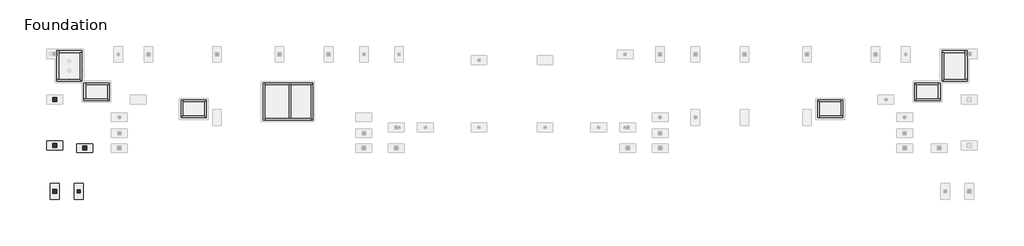
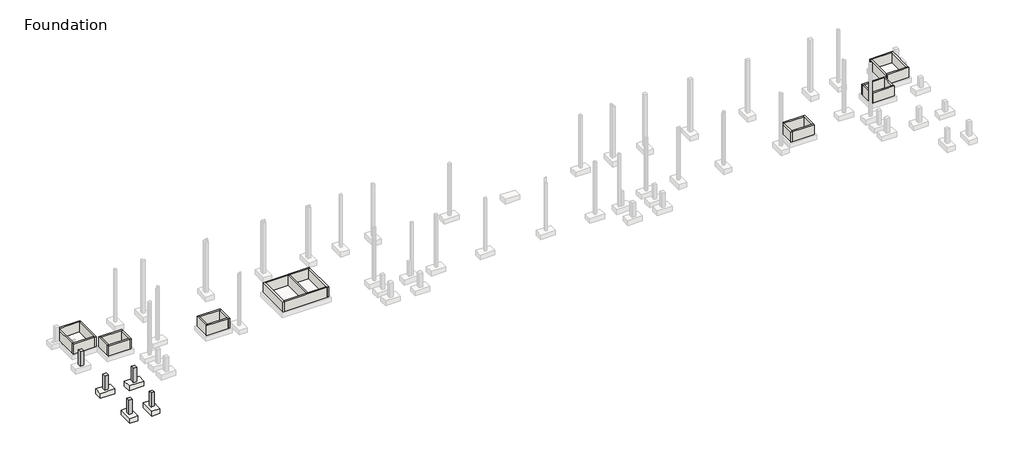
# One storey, part 1 of 10: 29 walls, 5 columns, 4 slabs.
"""IFC4 building model written with IfcOpenShell, lengths in millimetres."""

from ifc_helpers import new_model, si_unit, frame, origin, place, context, project, spatial, polyline, circle_curve, outline, extrude, faceted_brep, element, save
from ifc_brep_helpers import plane_surface, revolved_surface, advanced_brep

model = new_model("IFC4")

# Units and contexts
model_context = context("Model", 3, world=origin())
ifc_project = project(units=[si_unit("LENGTHUNIT", "METRE", prefix="MILLI")], contexts=[model_context])

# Site, building, storey
site = spatial("IfcSite", under=ifc_project)
building = spatial("IfcBuilding", under=site)
storey = spatial("IfcBuildingStorey", under=building, Name="Foundation", Elevation=-1600.0)

# Columns
placement = place(None, origin())
element("IfcColumn", 1, ObjectType="Concrete-Rectangular-Column : C 30/30", at=placement, inside=storey, context=model_context, shape_type="Brep", body=[
    faceted_brep([(-57562.5749186, -24447.2248986, -1600.0), (-57562.5749186, -24747.2248986, -1600.0), (-57862.5749186, -24747.2248986, -1600.0), (-57862.5749186, -24447.2248986, -1600.0), (-57562.5749186, -24447.2248986, -100.0), (-57562.5749186, -24747.2248986, -100.0), (-57562.5749186, -24747.2248986, -550.0), (-57562.5749186, -24447.2248986, -550.0), (-57862.5749186, -24747.2248986, -100.0), (-57862.5749186, -24747.2248986, -550.0), (-57862.5749186, -24447.2248986, -100.0), (-57862.5749186, -24447.2248986, -550.0)], [[[0, 1, 2, 3]], [[4, 5, 6, 1, 0, 7]], [[5, 8, 9, 2, 1, 6]], [[8, 10, 11, 3, 2, 9]], [[10, 4, 7, 0, 3, 11]], [[4, 10, 8, 5]]]),
])
element("IfcColumn", 2, ObjectType="Concrete-Rectangular-Column : C 35/35", at=placement, inside=storey, context=model_context, shape_type="Brep", body=[
    faceted_brep([(-59722.5229628, -16070.558232, -1600.0), (-59722.5229628, -16420.558232, -1600.0), (-60072.5229628, -16420.558232, -1600.0), (-60072.5229628, -16070.558232, -1600.0), (-59722.5229628, -16070.558232, -100.0), (-59722.5229628, -16420.558232, -100.0), (-59722.5229628, -16420.558232, -550.0), (-59722.5229628, -16070.558232, -550.0), (-60072.5229628, -16420.558232, -100.0), (-60072.5229628, -16420.558232, -550.0), (-60072.5229628, -16070.558232, -100.0), (-60072.5229628, -16070.558232, -550.0)], [[[0, 1, 2, 3]], [[4, 5, 6, 1, 0, 7]], [[5, 8, 9, 2, 1, 6]], [[8, 10, 11, 3, 2, 9]], [[10, 4, 7, 0, 3, 11]], [[4, 10, 8, 5]]]),
])
element("IfcColumn", 3, ObjectType="Concrete-Rectangular-Column : C 35/35", at=placement, inside=storey, context=model_context, shape_type="Brep", body=[
    faceted_brep([(-59722.5229628, -20246.3915653, -1600.0), (-59722.5229628, -20596.3915653, -1600.0), (-60072.5229628, -20596.3915653, -1600.0), (-60072.5229628, -20246.3915653, -1600.0), (-59722.5229628, -20246.3915653, -100.0), (-59722.5229628, -20596.3915653, -100.0), (-59722.5229628, -20596.3915653, -550.0), (-59722.5229628, -20246.3915653, -550.0), (-60072.5229628, -20596.3915653, -100.0), (-60072.5229628, -20596.3915653, -550.0), (-60072.5229628, -20246.3915653, -100.0), (-60072.5229628, -20246.3915653, -550.0)], [[[0, 1, 2, 3]], [[4, 5, 6, 1, 0, 7]], [[5, 8, 9, 2, 1, 6]], [[8, 10, 11, 3, 2, 9]], [[10, 4, 7, 0, 3, 11]], [[4, 10, 8, 5]]]),
])
element("IfcColumn", 4, ObjectType="Concrete-Rectangular-Column : C 35/35", at=placement, inside=storey, context=model_context, shape_type="Brep", body=[
    faceted_brep([(-59722.5229628, -24422.2248986, -1600.0), (-59722.5229628, -24772.2248986, -1600.0), (-60072.5229628, -24772.2248986, -1600.0), (-60072.5229628, -24422.2248986, -1600.0), (-59722.5229628, -24422.2248986, -100.0), (-59722.5229628, -24772.2248986, -100.0), (-59722.5229628, -24772.2248986, -550.0), (-59722.5229628, -24422.2248986, -550.0), (-60072.5229628, -24772.2248986, -100.0), (-60072.5229628, -24772.2248986, -550.0), (-60072.5229628, -24422.2248986, -100.0), (-60072.5229628, -24422.2248986, -550.0)], [[[0, 1, 2, 3]], [[4, 5, 6, 1, 0, 7]], [[5, 8, 9, 2, 1, 6]], [[8, 10, 11, 3, 2, 9]], [[10, 4, 7, 0, 3, 11]], [[4, 10, 8, 5]]]),
])
element("IfcColumn", 5, ObjectType="Concrete-Rectangular-Column : C 35/35", at=placement, inside=storey, context=model_context, shape_type="Brep", body=[
    faceted_brep([(-57352.5749186, -20484.7180835, -1600.0), (-57002.5749186, -20484.7180835, -1600.0), (-57002.5749186, -20834.7180835, -1600.0), (-57352.5749186, -20834.7180835, -1600.0), (-57352.5749186, -20484.7180835, -100.0), (-57002.5749186, -20484.7180835, -100.0), (-57002.5749186, -20484.7180835, -550.0), (-57352.5749186, -20484.7180835, -550.0), (-57002.5749186, -20834.7180835, -100.0), (-57002.5749186, -20834.7180835, -550.0), (-57352.5749186, -20834.7180835, -100.0), (-57352.5749186, -20834.7180835, -550.0)], [[[0, 1, 2, 3]], [[4, 5, 6, 1, 0, 7]], [[5, 8, 9, 2, 1, 6]], [[8, 10, 11, 3, 2, 9]], [[10, 4, 7, 0, 3, 11]], [[4, 10, 8, 5]]]),
])

# Slabs
element("IfcSlab", 6, ObjectType="Pile Cap for 2 Piles : Type 1", at=placement, inside=storey, context=model_context, shape_type="AdvancedBrep", body=[
    advanced_brep(
    [(-60622.5229628, -20021.3915653, -1600.0), (-60622.5229628, -20821.3915653, -1600.0), (-59172.5229628, -20821.3915653, -1600.0), (-59172.5229628, -20021.3915653, -1600.0), (-60622.5229628, -20021.3915653, -2100.0), (-59172.5229628, -20021.3915653, -2100.0), (-59172.5229628, -20821.3915653, -2100.0), (-60622.5229628, -20821.3915653, -2100.0), (-60297.5229628, -20554.7248986, -2100.0), (-60297.5229628, -20288.058232, -2100.0), (-59497.5229628, -20554.7248986, -2100.0), (-59497.5229628, -20288.058232, -2100.0), (-59497.5229628, -20554.7248986, -2050.0), (-59497.5229628, -20288.058232, -2050.0), (-60297.5229628, -20554.7248986, -2050.0), (-60297.5229628, -20288.058232, -2050.0)],
    [
        (0, 1),
        (1, 2),
        (2, 3),
        (3, 0),
        (4, 5),
        (5, 6),
        (6, 7),
        (7, 4),
        (8, 9, circle_curve(frame((-60297.5229628, -20421.3915653, -2100.0), z_axis=(0.0, 0.0, 1.0), x_axis=(0.0, 1.0, 0.0)), 133.3333333)),
        (9, 8, circle_curve(frame((-60297.5229628, -20421.3915653, -2100.0), z_axis=(0.0, 0.0, 1.0), x_axis=(0.0, 1.0, 0.0)), 133.3333333)),
        (10, 11, circle_curve(frame((-59497.5229628, -20421.3915653, -2100.0), z_axis=(0.0, 0.0, 1.0), x_axis=(0.0, 1.0, 0.0)), 133.3333333)),
        (11, 10, circle_curve(frame((-59497.5229628, -20421.3915653, -2100.0), z_axis=(0.0, 0.0, 1.0), x_axis=(0.0, 1.0, 0.0)), 133.3333333)),
        (0, 4),
        (7, 1),
        (6, 2),
        (5, 3),
        (12, 13, circle_curve(frame((-59497.5229628, -20421.3915653, -2050.0), z_axis=(0.0, 0.0, -1.0), x_axis=(0.0, 1.0, 0.0)), 133.3333333)),
        (13, 12, circle_curve(frame((-59497.5229628, -20421.3915653, -2050.0), z_axis=(0.0, 0.0, -1.0), x_axis=(0.0, 1.0, 0.0)), 133.3333333)),
        (8, 14),
        (14, 15, circle_curve(frame((-60297.5229628, -20421.3915653, -2050.0), z_axis=(0.0, 0.0, 1.0), x_axis=(0.0, 1.0, 0.0)), 133.3333333)),
        (15, 9),
        (15, 14, circle_curve(frame((-60297.5229628, -20421.3915653, -2050.0), z_axis=(0.0, 0.0, 1.0), x_axis=(0.0, 1.0, 0.0)), 133.3333333)),
        (10, 12),
        (13, 11),
    ],
    [
        plane_surface(frame((-60622.5229628, -20821.3915653, -1600.0), z_axis=(0.0, 0.0, 1.0), x_axis=(0.0, -1.0, 0.0))),
        plane_surface(frame((-60622.5229628, -20821.3915653, -2100.0), z_axis=(0.0, 0.0, -1.0), x_axis=(0.0, 1.0, 0.0))),
        plane_surface(frame((-60622.5229628, -20021.3915653, -1600.0), z_axis=(-1.0, 0.0, 0.0), x_axis=(0.0, 0.0, -1.0))),
        plane_surface(frame((-60622.5229628, -20821.3915653, -1600.0), z_axis=(0.0, -1.0, 0.0), x_axis=(0.0, 0.0, -1.0))),
        plane_surface(frame((-59172.5229628, -20821.3915653, -1600.0), z_axis=(1.0, 0.0, 0.0), x_axis=(0.0, 0.0, -1.0))),
        plane_surface(frame((-59172.5229628, -20021.3915653, -1600.0), z_axis=(0.0, 1.0, 0.0), x_axis=(0.0, 0.0, -1.0))),
        plane_surface(frame((-60297.5229628, -20288.058232, -2050.0), z_axis=(0.0, 0.0, -1.0), x_axis=(-1.0, 0.0, 0.0))),
        revolved_surface(polyline([(-60297.5229628, -20288.058232, -2050.0), (-60297.5229628, -20288.058232, -2100.0)]), (-60297.5229628, -20421.3915653, -2100.0), (0.0, 0.0, 1.0)),
        revolved_surface(polyline([(-59497.5229628, -20288.058232, -2050.0), (-59497.5229628, -20288.058232, -2100.0)]), (-59497.5229628, -20421.3915653, -1600.0), (0.0, 0.0, 1.0)),
    ],
    [
        (0, [[1, 2, 3, 4]]),
        (1, [[5, 6, 7, 8], [9, 10], [11, 12]]),
        (2, [[-1, 13, -8, 14]]),
        (3, [[-2, -14, -7, 15]]),
        (4, [[-3, -15, -6, 16]]),
        (5, [[-4, -16, -5, -13]]),
        (6, [[17, 18]]),
        (7, [[-9, 19, 20, 21]]),
        (7, [[-10, -21, 22, -19]]),
        (8, [[-11, 23, -18, 24]]),
        (8, [[-12, -24, -17, -23]]),
        (6, [[-22, -20]]),
    ],
),
])
element("IfcSlab", 7, ObjectType="Pile Cap for 2 Piles : Type 1", at=placement, inside=storey, context=model_context, shape_type="AdvancedBrep", body=[
    advanced_brep(
    [(-57902.5749186, -20259.7180835, -1600.0), (-57902.5749186, -21059.7180835, -1600.0), (-56452.5749186, -21059.7180835, -1600.0), (-56452.5749186, -20259.7180835, -1600.0), (-57902.5749186, -20259.7180835, -2100.0), (-56452.5749186, -20259.7180835, -2100.0), (-56452.5749186, -21059.7180835, -2100.0), (-57902.5749186, -21059.7180835, -2100.0), (-57577.5749186, -20793.0514168, -2100.0), (-57577.5749186, -20526.3847501, -2100.0), (-56777.5749186, -20793.0514168, -2100.0), (-56777.5749186, -20526.3847501, -2100.0), (-56777.5749186, -20793.0514168, -2050.0), (-56777.5749186, -20526.3847501, -2050.0), (-57577.5749186, -20793.0514168, -2050.0), (-57577.5749186, -20526.3847501, -2050.0)],
    [
        (0, 1),
        (1, 2),
        (2, 3),
        (3, 0),
        (4, 5),
        (5, 6),
        (6, 7),
        (7, 4),
        (8, 9, circle_curve(frame((-57577.5749186, -20659.7180835, -2100.0), z_axis=(0.0, 0.0, 1.0), x_axis=(0.0, 1.0, 0.0)), 133.3333333)),
        (9, 8, circle_curve(frame((-57577.5749186, -20659.7180835, -2100.0), z_axis=(0.0, 0.0, 1.0), x_axis=(0.0, 1.0, 0.0)), 133.3333333)),
        (10, 11, circle_curve(frame((-56777.5749186, -20659.7180835, -2100.0), z_axis=(0.0, 0.0, 1.0), x_axis=(0.0, 1.0, 0.0)), 133.3333333)),
        (11, 10, circle_curve(frame((-56777.5749186, -20659.7180835, -2100.0), z_axis=(0.0, 0.0, 1.0), x_axis=(0.0, 1.0, 0.0)), 133.3333333)),
        (0, 4),
        (7, 1),
        (6, 2),
        (5, 3),
        (12, 13, circle_curve(frame((-56777.5749186, -20659.7180835, -2050.0), z_axis=(0.0, 0.0, -1.0), x_axis=(0.0, 1.0, 0.0)), 133.3333333)),
        (13, 12, circle_curve(frame((-56777.5749186, -20659.7180835, -2050.0), z_axis=(0.0, 0.0, -1.0), x_axis=(0.0, 1.0, 0.0)), 133.3333333)),
        (8, 14),
        (14, 15, circle_curve(frame((-57577.5749186, -20659.7180835, -2050.0), z_axis=(0.0, 0.0, 1.0), x_axis=(0.0, 1.0, 0.0)), 133.3333333)),
        (15, 9),
        (15, 14, circle_curve(frame((-57577.5749186, -20659.7180835, -2050.0), z_axis=(0.0, 0.0, 1.0), x_axis=(0.0, 1.0, 0.0)), 133.3333333)),
        (10, 12),
        (13, 11),
    ],
    [
        plane_surface(frame((-57902.5749186, -21059.7180835, -1600.0), z_axis=(0.0, 0.0, 1.0), x_axis=(0.0, -1.0, 0.0))),
        plane_surface(frame((-57902.5749186, -21059.7180835, -2100.0), z_axis=(0.0, 0.0, -1.0), x_axis=(0.0, 1.0, 0.0))),
        plane_surface(frame((-57902.5749186, -20259.7180835, -1600.0), z_axis=(-1.0, 0.0, 0.0), x_axis=(0.0, 0.0, -1.0))),
        plane_surface(frame((-57902.5749186, -21059.7180835, -1600.0), z_axis=(0.0, -1.0, 0.0), x_axis=(0.0, 0.0, -1.0))),
        plane_surface(frame((-56452.5749186, -21059.7180835, -1600.0), z_axis=(1.0, 0.0, 0.0), x_axis=(0.0, 0.0, -1.0))),
        plane_surface(frame((-56452.5749186, -20259.7180835, -1600.0), z_axis=(0.0, 1.0, 0.0), x_axis=(0.0, 0.0, -1.0))),
        plane_surface(frame((-57577.5749186, -20526.3847501, -2050.0), z_axis=(0.0, 0.0, -1.0), x_axis=(-1.0, 0.0, 0.0))),
        revolved_surface(polyline([(-57577.5749186, -20526.3847502, -2050.0), (-57577.5749186, -20526.3847502, -2100.0)]), (-57577.5749186, -20659.7180835, -2100.0), (0.0, 0.0, 1.0)),
        revolved_surface(polyline([(-56777.5749186, -20526.3847502, -2050.0), (-56777.5749186, -20526.3847502, -2100.0)]), (-56777.5749186, -20659.7180835, -1600.0), (0.0, 0.0, 1.0)),
    ],
    [
        (0, [[1, 2, 3, 4]]),
        (1, [[5, 6, 7, 8], [9, 10], [11, 12]]),
        (2, [[-1, 13, -8, 14]]),
        (3, [[-2, -14, -7, 15]]),
        (4, [[-3, -15, -6, 16]]),
        (5, [[-4, -16, -5, -13]]),
        (6, [[17, 18]]),
        (7, [[-9, 19, 20, 21]]),
        (7, [[-10, -21, 22, -19]]),
        (8, [[-11, 23, -18, 24]]),
        (8, [[-12, -24, -17, -23]]),
        (6, [[-22, -20]]),
    ],
),
])
element("IfcSlab", 8, ObjectType="Pile Cap for 2 Piles : Type 1", at=placement, inside=storey, context=model_context, shape_type="AdvancedBrep", body=[
    advanced_brep(
    [(-59497.5229628, -23872.2248986, -1600.0), (-60297.5229628, -23872.2248986, -1600.0), (-60297.5229628, -25322.2248986, -1600.0), (-59497.5229628, -25322.2248986, -1600.0), (-59497.5229628, -23872.2248986, -2100.0), (-59497.5229628, -25322.2248986, -2100.0), (-60297.5229628, -25322.2248986, -2100.0), (-60297.5229628, -23872.2248986, -2100.0), (-60030.8562962, -24197.2248986, -2100.0), (-59764.1896295, -24197.2248986, -2100.0), (-60030.8562962, -24997.2248986, -2100.0), (-59764.1896295, -24997.2248986, -2100.0), (-60030.8562962, -24997.2248986, -2050.0), (-59764.1896295, -24997.2248986, -2050.0), (-60030.8562962, -24197.2248986, -2050.0), (-59764.1896295, -24197.2248986, -2050.0)],
    [
        (0, 1),
        (1, 2),
        (2, 3),
        (3, 0),
        (4, 5),
        (5, 6),
        (6, 7),
        (7, 4),
        (8, 9, circle_curve(frame((-59897.5229628, -24197.2248986, -2100.0), z_axis=(0.0, 0.0, 1.0), x_axis=(1.0, 0.0, 0.0)), 133.3333333)),
        (9, 8, circle_curve(frame((-59897.5229628, -24197.2248986, -2100.0), z_axis=(0.0, 0.0, 1.0), x_axis=(1.0, 0.0, 0.0)), 133.3333333)),
        (10, 11, circle_curve(frame((-59897.5229628, -24997.2248986, -2100.0), z_axis=(0.0, 0.0, 1.0), x_axis=(1.0, 0.0, 0.0)), 133.3333333)),
        (11, 10, circle_curve(frame((-59897.5229628, -24997.2248986, -2100.0), z_axis=(0.0, 0.0, 1.0), x_axis=(1.0, 0.0, 0.0)), 133.3333333)),
        (0, 4),
        (7, 1),
        (6, 2),
        (5, 3),
        (12, 13, circle_curve(frame((-59897.5229628, -24997.2248986, -2050.0), z_axis=(0.0, 0.0, -1.0), x_axis=(1.0, 0.0, 0.0)), 133.3333333)),
        (13, 12, circle_curve(frame((-59897.5229628, -24997.2248986, -2050.0), z_axis=(0.0, 0.0, -1.0), x_axis=(1.0, 0.0, 0.0)), 133.3333333)),
        (8, 14),
        (14, 15, circle_curve(frame((-59897.5229628, -24197.2248986, -2050.0), z_axis=(0.0, 0.0, 1.0), x_axis=(1.0, 0.0, 0.0)), 133.3333333)),
        (15, 9),
        (15, 14, circle_curve(frame((-59897.5229628, -24197.2248986, -2050.0), z_axis=(0.0, 0.0, 1.0), x_axis=(1.0, 0.0, 0.0)), 133.3333333)),
        (10, 12),
        (13, 11),
    ],
    [
        plane_surface(frame((-60297.5229628, -23872.2248986, -1600.0), z_axis=(0.0, 0.0, 1.0), x_axis=(-1.0, 0.0, 0.0))),
        plane_surface(frame((-60297.5229628, -23872.2248986, -2100.0), z_axis=(0.0, 0.0, -1.0), x_axis=(1.0, 0.0, 0.0))),
        plane_surface(frame((-59497.5229628, -23872.2248986, -1600.0), z_axis=(0.0, 1.0, 0.0), x_axis=(0.0, 0.0, -1.0))),
        plane_surface(frame((-60297.5229628, -23872.2248986, -1600.0), z_axis=(-1.0, 0.0, 0.0), x_axis=(0.0, 0.0, -1.0))),
        plane_surface(frame((-60297.5229628, -25322.2248986, -1600.0), z_axis=(0.0, -1.0, 0.0), x_axis=(0.0, 0.0, -1.0))),
        plane_surface(frame((-59497.5229628, -25322.2248986, -1600.0), z_axis=(1.0, 0.0, 0.0), x_axis=(0.0, 0.0, -1.0))),
        plane_surface(frame((-59764.1896295, -24197.2248986, -2050.0), z_axis=(0.0, 0.0, -1.0), x_axis=(0.0, 1.0, 0.0))),
        revolved_surface(polyline([(-59764.189629500004, -24197.2248986, -2050.0), (-59764.189629500004, -24197.2248986, -2100.0)]), (-59897.5229628, -24197.2248986, -2100.0), (0.0, 0.0, 1.0)),
        revolved_surface(polyline([(-59764.189629500004, -24997.2248986, -2050.0), (-59764.189629500004, -24997.2248986, -2100.0)]), (-59897.5229628, -24997.2248986, -1600.0), (0.0, 0.0, 1.0)),
    ],
    [
        (0, [[1, 2, 3, 4]]),
        (1, [[5, 6, 7, 8], [9, 10], [11, 12]]),
        (2, [[-1, 13, -8, 14]]),
        (3, [[-2, -14, -7, 15]]),
        (4, [[-3, -15, -6, 16]]),
        (5, [[-4, -16, -5, -13]]),
        (6, [[17, 18]]),
        (7, [[-9, 19, 20, 21]]),
        (7, [[-10, -21, 22, -19]]),
        (8, [[-11, 23, -18, 24]]),
        (8, [[-12, -24, -17, -23]]),
        (6, [[-22, -20]]),
    ],
),
])
element("IfcSlab", 9, ObjectType="Pile Cap for 2 Piles : Type 1", at=placement, inside=storey, context=model_context, shape_type="AdvancedBrep", body=[
    advanced_brep(
    [(-57312.5749186, -23872.2248986, -1600.0), (-58112.5749186, -23872.2248986, -1600.0), (-58112.5749186, -25322.2248986, -1600.0), (-57312.5749186, -25322.2248986, -1600.0), (-57312.5749186, -23872.2248986, -2100.0), (-57312.5749186, -25322.2248986, -2100.0), (-58112.5749186, -25322.2248986, -2100.0), (-58112.5749186, -23872.2248986, -2100.0), (-57845.9082519, -24197.2248986, -2100.0), (-57579.2415852, -24197.2248986, -2100.0), (-57845.9082519, -24997.2248986, -2100.0), (-57579.2415852, -24997.2248986, -2100.0), (-57845.9082519, -24997.2248986, -2050.0), (-57579.2415852, -24997.2248986, -2050.0), (-57845.9082519, -24197.2248986, -2050.0), (-57579.2415852, -24197.2248986, -2050.0)],
    [
        (0, 1),
        (1, 2),
        (2, 3),
        (3, 0),
        (4, 5),
        (5, 6),
        (6, 7),
        (7, 4),
        (8, 9, circle_curve(frame((-57712.5749186, -24197.2248986, -2100.0), z_axis=(0.0, 0.0, 1.0), x_axis=(1.0, 0.0, 0.0)), 133.3333333)),
        (9, 8, circle_curve(frame((-57712.5749186, -24197.2248986, -2100.0), z_axis=(0.0, 0.0, 1.0), x_axis=(1.0, 0.0, 0.0)), 133.3333333)),
        (10, 11, circle_curve(frame((-57712.5749186, -24997.2248986, -2100.0), z_axis=(0.0, 0.0, 1.0), x_axis=(1.0, 0.0, 0.0)), 133.3333333)),
        (11, 10, circle_curve(frame((-57712.5749186, -24997.2248986, -2100.0), z_axis=(0.0, 0.0, 1.0), x_axis=(1.0, 0.0, 0.0)), 133.3333333)),
        (0, 4),
        (7, 1),
        (6, 2),
        (5, 3),
        (12, 13, circle_curve(frame((-57712.5749186, -24997.2248986, -2050.0), z_axis=(0.0, 0.0, -1.0), x_axis=(1.0, 0.0, 0.0)), 133.3333333)),
        (13, 12, circle_curve(frame((-57712.5749186, -24997.2248986, -2050.0), z_axis=(0.0, 0.0, -1.0), x_axis=(1.0, 0.0, 0.0)), 133.3333333)),
        (8, 14),
        (14, 15, circle_curve(frame((-57712.5749186, -24197.2248986, -2050.0), z_axis=(0.0, 0.0, 1.0), x_axis=(1.0, 0.0, 0.0)), 133.3333333)),
        (15, 9),
        (15, 14, circle_curve(frame((-57712.5749186, -24197.2248986, -2050.0), z_axis=(0.0, 0.0, 1.0), x_axis=(1.0, 0.0, 0.0)), 133.3333333)),
        (10, 12),
        (13, 11),
    ],
    [
        plane_surface(frame((-58112.5749186, -23872.2248986, -1600.0), z_axis=(0.0, 0.0, 1.0), x_axis=(-1.0, 0.0, 0.0))),
        plane_surface(frame((-58112.5749186, -23872.2248986, -2100.0), z_axis=(0.0, 0.0, -1.0), x_axis=(1.0, 0.0, 0.0))),
        plane_surface(frame((-57312.5749186, -23872.2248986, -1600.0), z_axis=(0.0, 1.0, 0.0), x_axis=(0.0, 0.0, -1.0))),
        plane_surface(frame((-58112.5749186, -23872.2248986, -1600.0), z_axis=(-1.0, 0.0, 0.0), x_axis=(0.0, 0.0, -1.0))),
        plane_surface(frame((-58112.5749186, -25322.2248986, -1600.0), z_axis=(0.0, -1.0, 0.0), x_axis=(0.0, 0.0, -1.0))),
        plane_surface(frame((-57312.5749186, -25322.2248986, -1600.0), z_axis=(1.0, 0.0, 0.0), x_axis=(0.0, 0.0, -1.0))),
        plane_surface(frame((-57579.2415852, -24197.2248986, -2050.0), z_axis=(0.0, 0.0, -1.0), x_axis=(0.0, 1.0, 0.0))),
        revolved_surface(polyline([(-57579.241585300006, -24197.2248986, -2050.0), (-57579.241585300006, -24197.2248986, -2100.0)]), (-57712.5749186, -24197.2248986, -2100.0), (0.0, 0.0, 1.0)),
        revolved_surface(polyline([(-57579.241585300006, -24997.2248986, -2050.0), (-57579.241585300006, -24997.2248986, -2100.0)]), (-57712.5749186, -24997.2248986, -1600.0), (0.0, 0.0, 1.0)),
    ],
    [
        (0, [[1, 2, 3, 4]]),
        (1, [[5, 6, 7, 8], [9, 10], [11, 12]]),
        (2, [[-1, 13, -8, 14]]),
        (3, [[-2, -14, -7, 15]]),
        (4, [[-3, -15, -6, 16]]),
        (5, [[-4, -16, -5, -13]]),
        (6, [[17, 18]]),
        (7, [[-9, 19, 20, 21]]),
        (7, [[-10, -21, 22, -19]]),
        (8, [[-11, 23, -18, 24]]),
        (8, [[-12, -24, -17, -23]]),
        (6, [[-22, -20]]),
    ],
),
])

# Walls
element("IfcWall", 10, ObjectType="Concrete CIP - 150 mm", at=placement, inside=storey, context=model_context, shape_type="Brep", body=[
    faceted_brep([(-59700.0749186, -14544.7248986, -1600.0), (-57575.0749186, -14544.7248986, -1600.0), (-57575.0749186, -14544.7248986, -550.0), (-59700.0749186, -14544.7248986, -550.0), (-59700.0749186, -14394.7248986, -1600.0), (-59700.0749186, -14394.7248986, -550.0), (-59550.0749186, -14394.7248986, -550.0), (-57575.0749186, -14394.7248986, -550.0), (-57575.0749186, -14394.7248986, -1600.0), (-59550.0749186, -14394.7248986, -1600.0)], [[[0, 1, 2, 3]], [[4, 5, 6, 7, 8, 9]], [[1, 0, 4, 9, 8]], [[0, 3, 5, 4]], [[2, 1, 8, 7]], [[3, 2, 7, 6, 5]]]),
])
element("IfcWall", 11, ObjectType="Concrete CIP - 150 mm", at=placement, inside=storey, context=model_context, shape_type="Brep", body=[
    faceted_brep([(-59700.0749186, -11787.2248986, -1600.0), (-59700.0749186, -14394.7248986, -1600.0), (-59700.0749186, -14394.7248986, -550.0), (-59700.0749186, -11787.2248986, -550.0), (-59550.0749186, -11787.2248986, -1600.0), (-59550.0749186, -11787.2248986, -550.0), (-59550.0749186, -11937.2248986, -550.0), (-59550.0749186, -14394.7248986, -550.0), (-59550.0749186, -14394.7248986, -1600.0), (-59550.0749186, -11937.2248986, -1600.0)], [[[0, 1, 2, 3]], [[4, 5, 6, 7, 8, 9]], [[1, 0, 4, 9, 8]], [[0, 3, 5, 4]], [[2, 1, 8, 7]], [[3, 2, 7, 6, 5]]]),
])
element("IfcWall", 12, ObjectType="Concrete CIP - 150 mm", at=placement, inside=storey, context=model_context, shape_type="Brep", body=[
    faceted_brep([(-57425.0749186, -11787.2248986, -1600.0), (-59550.0749186, -11787.2248986, -1600.0), (-59550.0749186, -11787.2248986, -550.0), (-57425.0749186, -11787.2248986, -550.0), (-57425.0749186, -11937.2248986, -1600.0), (-57425.0749186, -11937.2248986, -550.0), (-57575.0749186, -11937.2248986, -550.0), (-59550.0749186, -11937.2248986, -550.0), (-59550.0749186, -11937.2248986, -1600.0), (-57575.0749186, -11937.2248986, -1600.0)], [[[0, 1, 2, 3]], [[4, 5, 6, 7, 8, 9]], [[1, 0, 4, 9, 8]], [[0, 3, 5, 4]], [[2, 1, 8, 7]], [[3, 2, 7, 6, 5]]]),
])
element("IfcWall", 13, ObjectType="Concrete CIP - 150 mm", at=placement, inside=storey, context=model_context, shape_type="Brep", body=[
    faceted_brep([(-57425.0749186, -14544.7248986, -1600.0), (-57425.0749186, -11937.2248986, -1600.0), (-57425.0749186, -11937.2248986, -550.0), (-57425.0749186, -12089.7692399, -550.0), (-57425.0749186, -14544.7248986, -550.0), (-57575.0749186, -14544.7248986, -1600.0), (-57575.0749186, -14544.7248986, -550.0), (-57575.0749186, -14394.7248986, -550.0), (-57575.0749186, -11937.2248986, -550.0), (-57575.0749186, -11937.2248986, -1600.0), (-57575.0749186, -14394.7248986, -1600.0)], [[[0, 1, 2, 3, 4]], [[5, 6, 7, 8, 9, 10]], [[1, 0, 5, 10, 9]], [[0, 4, 6, 5]], [[2, 1, 9, 8]], [[4, 3, 2, 8, 7, 6]]]),
])
element("IfcWall", 14, ObjectType="Concrete CIP - 150 mm", at=placement, inside=storey, context=model_context, shape_type="Brep", body=[
    faceted_brep([(-57252.5749186, -16320.558232, -1600.0), (-55102.5749186, -16320.558232, -1600.0), (-55102.5749186, -16320.558232, -550.0), (-57252.5749186, -16320.558232, -550.0), (-57252.5749186, -16170.558232, -1600.0), (-57252.5749186, -16170.558232, -550.0), (-57102.5749186, -16170.558232, -550.0), (-55102.5749186, -16170.558232, -550.0), (-55102.5749186, -16170.558232, -1600.0), (-57102.5749186, -16170.558232, -1600.0)], [[[0, 1, 2, 3]], [[4, 5, 6, 7, 8, 9]], [[1, 0, 4, 9, 8]], [[0, 3, 5, 4]], [[2, 1, 8, 7]], [[3, 2, 7, 6, 5]]]),
])
element("IfcWall", 15, ObjectType="Concrete CIP - 150 mm", at=placement, inside=storey, context=model_context, shape_type="Brep", body=[
    faceted_brep([(-57252.5749186, -14720.558232, -1600.0), (-57252.5749186, -16170.558232, -1600.0), (-57252.5749186, -16170.558232, -550.0), (-57252.5749186, -14720.558232, -550.0), (-57102.5749186, -14720.558232, -1600.0), (-57102.5749186, -14720.558232, -550.0), (-57102.5749186, -14870.558232, -550.0), (-57102.5749186, -16170.558232, -550.0), (-57102.5749186, -16170.558232, -1600.0), (-57102.5749186, -14870.558232, -1600.0)], [[[0, 1, 2, 3]], [[4, 5, 6, 7, 8, 9]], [[1, 0, 4, 9, 8]], [[0, 3, 5, 4]], [[2, 1, 8, 7]], [[3, 2, 7, 6, 5]]]),
])
element("IfcWall", 16, ObjectType="Concrete CIP - 150 mm", at=placement, inside=storey, context=model_context, shape_type="Brep", body=[
    faceted_brep([(-54952.5749186, -14720.558232, -1600.0), (-57102.5749186, -14720.558232, -1600.0), (-57102.5749186, -14720.558232, -550.0), (-54952.5749186, -14720.558232, -550.0), (-54952.5749186, -14870.558232, -1600.0), (-54952.5749186, -14870.558232, -550.0), (-55102.5749186, -14870.558232, -550.0), (-57102.5749186, -14870.558232, -550.0), (-57102.5749186, -14870.558232, -1600.0), (-55102.5749186, -14870.558232, -1600.0)], [[[0, 1, 2, 3]], [[4, 5, 6, 7, 8, 9]], [[1, 0, 4, 9, 8]], [[0, 3, 5, 4]], [[2, 1, 8, 7]], [[3, 2, 7, 6, 5]]]),
])
element("IfcWall", 17, ObjectType="Concrete CIP - 150 mm", at=placement, inside=storey, context=model_context, shape_type="Brep", body=[
    faceted_brep([(-54952.5749186, -16320.558232, -1600.0), (-54952.5749186, -14870.558232, -1600.0), (-54952.5749186, -14870.558232, -550.0), (-54952.5749186, -16320.558232, -550.0), (-55102.5749186, -16320.558232, -1600.0), (-55102.5749186, -16320.558232, -550.0), (-55102.5749186, -16170.558232, -550.0), (-55102.5749186, -14870.558232, -550.0), (-55102.5749186, -14870.558232, -1600.0), (-55102.5749186, -16170.558232, -1600.0)], [[[0, 1, 2, 3]], [[4, 5, 6, 7, 8, 9]], [[1, 0, 4, 9, 8]], [[0, 3, 5, 4]], [[2, 1, 8, 7]], [[3, 2, 7, 6, 5]]]),
])
element("IfcWall", 18, ObjectType="Concrete CIP - 150 mm", at=placement, inside=storey, context=model_context, shape_type="Brep", body=[
    faceted_brep([(-48407.5711521, -17885.8678877, -1600.0), (-46257.5711521, -17885.8678877, -1600.0), (-46257.5711521, -17885.8678877, -550.0), (-48407.5711521, -17885.8678877, -550.0), (-48407.5711521, -17735.8678877, -1600.0), (-48407.5711521, -17735.8678877, -550.0), (-48257.5711521, -17735.8678877, -550.0), (-46257.5711521, -17735.8678877, -550.0), (-46257.5711521, -17735.8678877, -1600.0), (-48257.5711521, -17735.8678877, -1600.0)], [[[0, 1, 2, 3]], [[4, 5, 6, 7, 8, 9]], [[1, 0, 4, 9, 8]], [[0, 3, 5, 4]], [[2, 1, 8, 7]], [[3, 2, 7, 6, 5]]]),
])
element("IfcWall", 19, ObjectType="Concrete CIP - 150 mm", at=placement, inside=storey, context=model_context, shape_type="Brep", body=[
    faceted_brep([(-48407.5711521, -16285.8678877, -1600.0), (-48407.5711521, -17735.8678877, -1600.0), (-48407.5711521, -17735.8678877, -550.0), (-48407.5711521, -16285.8678877, -550.0), (-48257.5711521, -16285.8678877, -1600.0), (-48257.5711521, -16285.8678877, -550.0), (-48257.5711521, -16435.8678877, -550.0), (-48257.5711521, -17735.8678877, -550.0), (-48257.5711521, -17735.8678877, -1600.0), (-48257.5711521, -16435.8678877, -1600.0)], [[[0, 1, 2, 3]], [[4, 5, 6, 7, 8, 9]], [[1, 0, 4, 9, 8]], [[0, 3, 5, 4]], [[2, 1, 8, 7]], [[3, 2, 7, 6, 5]]]),
])
element("IfcWall", 20, ObjectType="Concrete CIP - 150 mm", at=placement, inside=storey, context=model_context, shape_type="Brep", body=[
    faceted_brep([(-46107.5711521, -16285.8678877, -1600.0), (-48257.5711521, -16285.8678877, -1600.0), (-48257.5711521, -16285.8678877, -550.0), (-46107.5711521, -16285.8678877, -550.0), (-46107.5711521, -16435.8678877, -1600.0), (-46107.5711521, -16435.8678877, -550.0), (-46257.5711521, -16435.8678877, -550.0), (-48257.5711521, -16435.8678877, -550.0), (-48257.5711521, -16435.8678877, -1600.0), (-46257.5711521, -16435.8678877, -1600.0)], [[[0, 1, 2, 3]], [[4, 5, 6, 7, 8, 9]], [[1, 0, 4, 9, 8]], [[0, 3, 5, 4]], [[2, 1, 8, 7]], [[3, 2, 7, 6, 5]]]),
])
element("IfcWall", 21, ObjectType="Concrete CIP - 150 mm", at=placement, inside=storey, context=model_context, shape_type="Brep", body=[
    faceted_brep([(-46107.5711521, -17885.8678877, -1600.0), (-46107.5711521, -16435.8678877, -1600.0), (-46107.5711521, -16435.8678877, -550.0), (-46107.5711521, -17885.8678877, -550.0), (-46257.5711521, -17885.8678877, -1600.0), (-46257.5711521, -17885.8678877, -550.0), (-46257.5711521, -17735.8678877, -550.0), (-46257.5711521, -16435.8678877, -550.0), (-46257.5711521, -16435.8678877, -1600.0), (-46257.5711521, -17735.8678877, -1600.0)], [[[0, 1, 2, 3]], [[4, 5, 6, 7, 8, 9]], [[1, 0, 4, 9, 8]], [[0, 3, 5, 4]], [[2, 1, 8, 7]], [[3, 2, 7, 6, 5]]]),
])
element("IfcWall", 22, ObjectType="Concrete CIP - 150 mm", at=placement, inside=storey, context=model_context, shape_type="Brep", body=[
    faceted_brep([(-40807.5711521, -18094.7248986, -1600.0), (-36575.0711521, -18094.7248986, -1600.0), (-36575.0711521, -18094.7248986, -550.0), (-40807.5711521, -18094.7248986, -550.0), (-40807.5711521, -17944.7248986, -1600.0), (-40807.5711521, -17944.7248986, -550.0), (-38575.0711521, -17944.7248986, -550.0), (-38425.0711521, -17944.7248986, -550.0), (-36575.0711521, -17944.7248986, -550.0), (-36575.0711521, -17944.7248986, -1600.0), (-38425.0711521, -17944.7248986, -1600.0), (-38575.0711521, -17944.7248986, -1600.0)], [[[0, 1, 2, 3]], [[4, 5, 6, 7, 8, 9, 10, 11]], [[1, 0, 4, 11, 10, 9]], [[2, 1, 9, 8]], [[3, 2, 8, 7, 6, 5]], [[0, 3, 5, 4]]]),
])
element("IfcWall", 23, ObjectType="Concrete CIP - 150 mm", at=placement, inside=storey, context=model_context, shape_type="SweptSolid", body=[
    extrude(outline(polyline([(-38575.0711521, -17944.7248986), (-38575.0711521, -14879.7248986), (-38425.0711521, -14879.7248986), (-38425.0711521, -17944.7248986), (-38575.0711521, -17944.7248986)])), frame((0.0, 0.0, -1600.0), z_axis=(0.0, 0.0, 1.0), x_axis=(1.0, 0.0, 0.0)), (0.0, 0.0, 1.0), 1050.0),
])
element("IfcWall", 24, ObjectType="Concrete CIP - 150 mm", at=placement, inside=storey, context=model_context, shape_type="Brep", body=[
    faceted_brep([(-36425.0711521, -14729.7248986, -1600.0), (-40807.5711521, -14729.7248986, -1600.0), (-40807.5711521, -14729.7248986, -550.0), (-36425.0711521, -14729.7248986, -550.0), (-36425.0711521, -14879.7248986, -1600.0), (-36425.0711521, -14879.7248986, -550.0), (-36575.0711521, -14879.7248986, -550.0), (-38425.0711521, -14879.7248986, -550.0), (-38575.0711521, -14879.7248986, -550.0), (-40807.5711521, -14879.7248986, -550.0), (-40807.5711521, -14879.7248986, -1600.0), (-38575.0711521, -14879.7248986, -1600.0), (-38425.0711521, -14879.7248986, -1600.0), (-36575.0711521, -14879.7248986, -1600.0)], [[[0, 1, 2, 3]], [[4, 5, 6, 7, 8, 9, 10, 11, 12, 13]], [[1, 0, 4, 13, 12, 11, 10]], [[0, 3, 5, 4]], [[3, 2, 9, 8, 7, 6, 5]], [[2, 1, 10, 9]]]),
])
element("IfcWall", 25, ObjectType="Concrete CIP - 150 mm", at=placement, inside=storey, context=model_context, shape_type="Brep", body=[
    faceted_brep([(-36425.0711521, -18094.7248986, -1600.0), (-36425.0711521, -14879.7248986, -1600.0), (-36425.0711521, -14879.7248986, -550.0), (-36425.0711521, -18094.7248986, -550.0), (-36575.0711521, -18094.7248986, -1600.0), (-36575.0711521, -18094.7248986, -550.0), (-36575.0711521, -17944.7248986, -550.0), (-36575.0711521, -14879.7248986, -550.0), (-36575.0711521, -14879.7248986, -1600.0), (-36575.0711521, -17944.7248986, -1600.0)], [[[0, 1, 2, 3]], [[4, 5, 6, 7, 8, 9]], [[1, 0, 4, 9, 8]], [[0, 3, 5, 4]], [[2, 1, 8, 7]], [[3, 2, 7, 6, 5]]]),
])
element("IfcWall", 26, ObjectType="Concrete CIP - 150 mm", at=placement, inside=storey, context=model_context, shape_type="Brep", body=[
    faceted_brep([(-40957.5711521, -14729.7248986, -1600.0), (-40957.5711521, -18094.7248986, -1600.0), (-40957.5711521, -18094.7248986, -550.0), (-40957.5711521, -14729.7248986, -550.0), (-40807.5711521, -14729.7248986, -1600.0), (-40807.5711521, -14729.7248986, -550.0), (-40807.5711521, -14879.7248986, -550.0), (-40807.5711521, -17944.7248986, -550.0), (-40807.5711521, -18094.7248986, -550.0), (-40807.5711521, -18094.7248986, -1600.0), (-40807.5711521, -17944.7248986, -1600.0), (-40807.5711521, -14879.7248986, -1600.0)], [[[0, 1, 2, 3]], [[4, 5, 6, 7, 8, 9, 10, 11]], [[1, 0, 4, 11, 10, 9]], [[3, 2, 8, 7, 6, 5]], [[2, 1, 9, 8]], [[0, 3, 5, 4]]]),
])
element("IfcWall", 27, ObjectType="Concrete CIP - 150 mm", at=placement, inside=storey, context=model_context, shape_type="Brep", body=[
    faceted_brep([(23084.9250814, -14394.7248986, -1600.0), (22934.9250814, -14394.7248986, -1600.0), (20959.9250814, -14394.7248986, -1600.0), (20959.9250814, -14394.7248986, -550.0), (22934.9250814, -14394.7248986, -550.0), (23084.9250814, -14394.7248986, -550.0), (23084.9250814, -14544.7248986, -1600.0), (23084.9250814, -14544.7248986, -550.0), (20959.9250814, -14544.7248986, -550.0), (20959.9250814, -14544.7248986, -1600.0)], [[[0, 1, 2, 3, 4, 5]], [[6, 7, 8, 9]], [[2, 1, 0, 6, 9]], [[0, 5, 7, 6]], [[3, 2, 9, 8]], [[5, 4, 3, 8, 7]]]),
])
element("IfcWall", 28, ObjectType="Concrete CIP - 150 mm", at=placement, inside=storey, context=model_context, shape_type="Brep", body=[
    faceted_brep([(22934.9250814, -11787.2248986, -1600.0), (22934.9250814, -11937.2248986, -1600.0), (22934.9250814, -14394.7248986, -1600.0), (22934.9250814, -14394.7248986, -550.0), (22934.9250814, -11937.2248986, -550.0), (22934.9250814, -11787.2248986, -550.0), (23084.9250814, -11787.2248986, -1600.0), (23084.9250814, -11787.2248986, -550.0), (23084.9250814, -14394.7248986, -550.0), (23084.9250814, -14394.7248986, -1600.0)], [[[0, 1, 2, 3, 4, 5]], [[6, 7, 8, 9]], [[2, 1, 0, 6, 9]], [[0, 5, 7, 6]], [[3, 2, 9, 8]], [[5, 4, 3, 8, 7]]]),
])
element("IfcWall", 29, ObjectType="Concrete CIP - 150 mm", at=placement, inside=storey, context=model_context, shape_type="Brep", body=[
    faceted_brep([(20809.9250814, -11937.2248986, -1600.0), (20959.9250814, -11937.2248986, -1600.0), (22934.9250814, -11937.2248986, -1600.0), (22934.9250814, -11937.2248986, -550.0), (20959.9250814, -11937.2248986, -550.0), (20809.9250814, -11937.2248986, -550.0), (20809.9250814, -11787.2248986, -1600.0), (20809.9250814, -11787.2248986, -550.0), (22934.9250814, -11787.2248986, -550.0), (22934.9250814, -11787.2248986, -1600.0)], [[[0, 1, 2, 3, 4, 5]], [[6, 7, 8, 9]], [[2, 1, 0, 6, 9]], [[0, 5, 7, 6]], [[3, 2, 9, 8]], [[5, 4, 3, 8, 7]]]),
])
element("IfcWall", 30, ObjectType="Concrete CIP - 150 mm", at=placement, inside=storey, context=model_context, shape_type="Brep", body=[
    faceted_brep([(20959.9250814, -14544.7248986, -1600.0), (20959.9250814, -14394.7248986, -1600.0), (20959.9250814, -11937.2248986, -1600.0), (20959.9250814, -11937.2248986, -550.0), (20959.9250814, -14394.7248986, -550.0), (20959.9250814, -14544.7248986, -550.0), (20809.9250814, -14544.7248986, -1600.0), (20809.9250814, -14544.7248986, -550.0), (20809.9250814, -12089.7692399, -550.0), (20809.9250814, -11937.2248986, -550.0), (20809.9250814, -11937.2248986, -1600.0)], [[[0, 1, 2, 3, 4, 5]], [[6, 7, 8, 9, 10]], [[2, 1, 0, 6, 10]], [[0, 5, 7, 6]], [[3, 2, 10, 9]], [[5, 4, 3, 9, 8, 7]]]),
])
element("IfcWall", 31, ObjectType="Concrete CIP - 150 mm", at=placement, inside=storey, context=model_context, shape_type="Brep", body=[
    faceted_brep([(20637.4250814, -16170.558232, -1600.0), (20487.4250814, -16170.558232, -1600.0), (18487.4250814, -16170.558232, -1600.0), (18487.4250814, -16170.558232, -550.0), (20487.4250814, -16170.558232, -550.0), (20637.4250814, -16170.558232, -550.0), (20637.4250814, -16320.558232, -1600.0), (20637.4250814, -16320.558232, -550.0), (18487.4250814, -16320.558232, -550.0), (18487.4250814, -16320.558232, -1600.0)], [[[0, 1, 2, 3, 4, 5]], [[6, 7, 8, 9]], [[2, 1, 0, 6, 9]], [[0, 5, 7, 6]], [[3, 2, 9, 8]], [[5, 4, 3, 8, 7]]]),
])
element("IfcWall", 32, ObjectType="Concrete CIP - 150 mm", at=placement, inside=storey, context=model_context, shape_type="Brep", body=[
    faceted_brep([(20487.4250814, -14720.558232, -1600.0), (20487.4250814, -14870.558232, -1600.0), (20487.4250814, -16170.558232, -1600.0), (20487.4250814, -16170.558232, -550.0), (20487.4250814, -14870.558232, -550.0), (20487.4250814, -14720.558232, -550.0), (20637.4250814, -14720.558232, -1600.0), (20637.4250814, -14720.558232, -550.0), (20637.4250814, -16170.558232, -550.0), (20637.4250814, -16170.558232, -1600.0)], [[[0, 1, 2, 3, 4, 5]], [[6, 7, 8, 9]], [[2, 1, 0, 6, 9]], [[0, 5, 7, 6]], [[3, 2, 9, 8]], [[5, 4, 3, 8, 7]]]),
])
element("IfcWall", 33, ObjectType="Concrete CIP - 150 mm", at=placement, inside=storey, context=model_context, shape_type="Brep", body=[
    faceted_brep([(18337.4250814, -14870.558232, -1600.0), (18487.4250814, -14870.558232, -1600.0), (20487.4250814, -14870.558232, -1600.0), (20487.4250814, -14870.558232, -550.0), (18487.4250814, -14870.558232, -550.0), (18337.4250814, -14870.558232, -550.0), (18337.4250814, -14720.558232, -1600.0), (18337.4250814, -14720.558232, -550.0), (20487.4250814, -14720.558232, -550.0), (20487.4250814, -14720.558232, -1600.0)], [[[0, 1, 2, 3, 4, 5]], [[6, 7, 8, 9]], [[2, 1, 0, 6, 9]], [[0, 5, 7, 6]], [[3, 2, 9, 8]], [[5, 4, 3, 8, 7]]]),
])
element("IfcWall", 34, ObjectType="Concrete CIP - 150 mm", at=placement, inside=storey, context=model_context, shape_type="Brep", body=[
    faceted_brep([(18487.4250814, -16320.558232, -1600.0), (18487.4250814, -16170.558232, -1600.0), (18487.4250814, -14870.558232, -1600.0), (18487.4250814, -14870.558232, -550.0), (18487.4250814, -16170.558232, -550.0), (18487.4250814, -16320.558232, -550.0), (18337.4250814, -16320.558232, -1600.0), (18337.4250814, -16320.558232, -550.0), (18337.4250814, -14870.558232, -550.0), (18337.4250814, -14870.558232, -1600.0)], [[[0, 1, 2, 3, 4, 5]], [[6, 7, 8, 9]], [[2, 1, 0, 6, 9]], [[0, 5, 7, 6]], [[3, 2, 9, 8]], [[5, 4, 3, 8, 7]]]),
])
element("IfcWall", 35, ObjectType="Concrete CIP - 150 mm", at=placement, inside=storey, context=model_context, shape_type="Brep", body=[
    faceted_brep([(11792.4213149, -17735.8678877, -1600.0), (11642.4213149, -17735.8678877, -1600.0), (9642.4213149, -17735.8678877, -1600.0), (9642.4213149, -17735.8678877, -550.0), (11642.4213149, -17735.8678877, -550.0), (11792.4213149, -17735.8678877, -550.0), (11792.4213149, -17885.8678877, -1600.0), (11792.4213149, -17885.8678877, -550.0), (9642.4213149, -17885.8678877, -550.0), (9642.4213149, -17885.8678877, -1600.0)], [[[0, 1, 2, 3, 4, 5]], [[6, 7, 8, 9]], [[2, 1, 0, 6, 9]], [[0, 5, 7, 6]], [[3, 2, 9, 8]], [[5, 4, 3, 8, 7]]]),
])
element("IfcWall", 36, ObjectType="Concrete CIP - 150 mm", at=placement, inside=storey, context=model_context, shape_type="Brep", body=[
    faceted_brep([(11642.4213149, -16285.8678877, -1600.0), (11642.4213149, -16435.8678877, -1600.0), (11642.4213149, -17735.8678877, -1600.0), (11642.4213149, -17735.8678877, -550.0), (11642.4213149, -16435.8678877, -550.0), (11642.4213149, -16285.8678877, -550.0), (11792.4213149, -16285.8678877, -1600.0), (11792.4213149, -16285.8678877, -550.0), (11792.4213149, -17735.8678877, -550.0), (11792.4213149, -17735.8678877, -1600.0)], [[[0, 1, 2, 3, 4, 5]], [[6, 7, 8, 9]], [[2, 1, 0, 6, 9]], [[0, 5, 7, 6]], [[3, 2, 9, 8]], [[5, 4, 3, 8, 7]]]),
])
element("IfcWall", 37, ObjectType="Concrete CIP - 150 mm", at=placement, inside=storey, context=model_context, shape_type="Brep", body=[
    faceted_brep([(9492.4213149, -16435.8678877, -1600.0), (9642.4213149, -16435.8678877, -1600.0), (11642.4213149, -16435.8678877, -1600.0), (11642.4213149, -16435.8678877, -550.0), (9642.4213149, -16435.8678877, -550.0), (9492.4213149, -16435.8678877, -550.0), (9492.4213149, -16285.8678877, -1600.0), (9492.4213149, -16285.8678877, -550.0), (11642.4213149, -16285.8678877, -550.0), (11642.4213149, -16285.8678877, -1600.0)], [[[0, 1, 2, 3, 4, 5]], [[6, 7, 8, 9]], [[2, 1, 0, 6, 9]], [[0, 5, 7, 6]], [[3, 2, 9, 8]], [[5, 4, 3, 8, 7]]]),
])
element("IfcWall", 38, ObjectType="Concrete CIP - 150 mm", at=placement, inside=storey, context=model_context, shape_type="Brep", body=[
    faceted_brep([(9642.4213149, -17885.8678877, -1600.0), (9642.4213149, -17735.8678877, -1600.0), (9642.4213149, -16435.8678877, -1600.0), (9642.4213149, -16435.8678877, -550.0), (9642.4213149, -17735.8678877, -550.0), (9642.4213149, -17885.8678877, -550.0), (9492.4213149, -17885.8678877, -1600.0), (9492.4213149, -17885.8678877, -550.0), (9492.4213149, -16435.8678877, -550.0), (9492.4213149, -16435.8678877, -1600.0)], [[[0, 1, 2, 3, 4, 5]], [[6, 7, 8, 9]], [[2, 1, 0, 6, 9]], [[0, 5, 7, 6]], [[3, 2, 9, 8]], [[5, 4, 3, 8, 7]]]),
])

save(model, "model.ifc")
